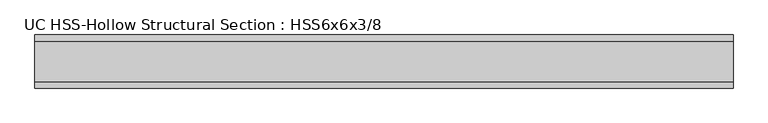
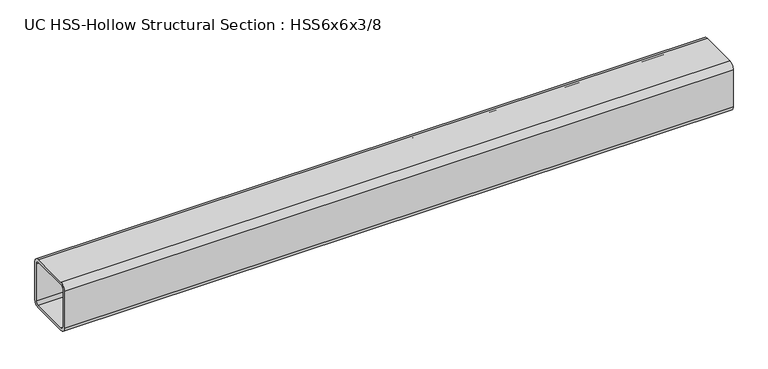
"""IFC4 building model written with IfcOpenShell, lengths in millimetres: beam geometry, UC HSS-Hollow Structural Section : HSS6x6x3/8."""

from ifc_helpers import new_model, si_unit, point, frame, frame_2d, origin, place, context, project, spatial, polyline, circle_curve, trimmed, segment, composite_curve, outline, extrude, source, transform, mapped, element, save


def uc_hss_hollow_structural_section_hss6x6x3_8_ce2f030d(model_context):
    return source(origin(), model_context, "Body", "SweptSolid", [
        extrude(outline(composite_curve([segment(polyline([(76.2, 58.4708), (76.2, -58.4708)]), True, "CONTINUOUS"), segment(trimmed(circle_curve(frame_2d((58.4708, -58.4708)), 17.7292), [point((76.2, -58.4708))], [point((58.4708, -76.2))], False, "CARTESIAN"), True, "CONTINUOUS"), segment(polyline([(58.4708, -76.2), (-58.4708, -76.2)]), True, "CONTINUOUS"), segment(trimmed(circle_curve(frame_2d((-58.4708, -58.4708)), 17.7292), [point((-58.4708, -76.2))], [point((-76.2, -58.4708))], False, "CARTESIAN"), True, "CONTINUOUS"), segment(polyline([(-76.2, -58.4708), (-76.2, 58.4708)]), True, "CONTINUOUS"), segment(trimmed(circle_curve(frame_2d((-58.4708, 58.4708)), 17.7292), [point((-76.2, 58.4708))], [point((-58.4708, 76.2))], False, "CARTESIAN"), True, "CONTINUOUS"), segment(polyline([(-58.4708, 76.2), (58.4708, 76.2)]), True, "CONTINUOUS"), segment(trimmed(circle_curve(frame_2d((58.4708, 58.4708)), 17.7292), [point((58.4708, 76.2))], [point((76.2, 58.4708))], False, "CARTESIAN"), True, "CONTINUOUS")], self_intersect=False), holes=[composite_curve([segment(trimmed(circle_curve(frame_2d((-58.4708, 58.4708)), 8.8646), [point((-58.4708, 67.3354))], [point((-67.3354, 58.4708))], True, "CARTESIAN"), True, "CONTINUOUS"), segment(polyline([(-67.3354, 58.4708), (-67.3354, -58.4708)]), True, "CONTINUOUS"), segment(trimmed(circle_curve(frame_2d((-58.4708, -58.4708)), 8.8646), [point((-67.3354, -58.4708))], [point((-58.4708, -67.3354))], True, "CARTESIAN"), True, "CONTINUOUS"), segment(polyline([(-58.4708, -67.3354), (58.4708, -67.3354)]), True, "CONTINUOUS"), segment(trimmed(circle_curve(frame_2d((58.4708, -58.4708)), 8.8646), [point((58.4708, -67.3354))], [point((67.3354, -58.4708))], True, "CARTESIAN"), True, "CONTINUOUS"), segment(polyline([(67.3354, -58.4708), (67.3354, 58.4708)]), True, "CONTINUOUS"), segment(trimmed(circle_curve(frame_2d((58.4708, 58.4708)), 8.8646), [point((67.3354, 58.4708))], [point((58.4708, 67.3354))], True, "CARTESIAN"), True, "CONTINUOUS"), segment(polyline([(58.4708, 67.3354), (-58.4708, 67.3354)]), True, "CONTINUOUS")], self_intersect=False)]), frame((-1101.2348918, 0.0, 0.0), z_axis=(1.0, 0.0, 0.0), x_axis=(0.0, 1.0, 0.0)), (0.0, 0.0, 1.0), 2001.9041661),
    ])


if __name__ == "__main__":
    model = new_model("IFC4")
    model_context = context("Model", 3, world=origin())
    ifc_project = project(units=[si_unit("LENGTHUNIT", "METRE", prefix="MILLI")], contexts=[model_context])
    site = spatial("IfcSite", under=ifc_project)
    building = spatial("IfcBuilding", under=site)
    placement = place(None, origin())
    uc_hss_hollow_structural_section_hss6x6x3_8_shape = uc_hss_hollow_structural_section_hss6x6x3_8_ce2f030d(model_context)
    element("IfcBeam", 1, ObjectType="UC HSS-Hollow Structural Section : HSS6x6x3/8", at=placement, inside=building, context=model_context, shape_type="MappedRepresentation", body=[
        mapped(uc_hss_hollow_structural_section_hss6x6x3_8_shape, transform((0.0, 0.0, 0.0), x_axis=(1.0, 0.0, 0.0), y_axis=(0.0, 1.0, 0.0), z_axis=(0.0, 0.0, 1.0))),
    ])
    save(model, "model.ifc")
